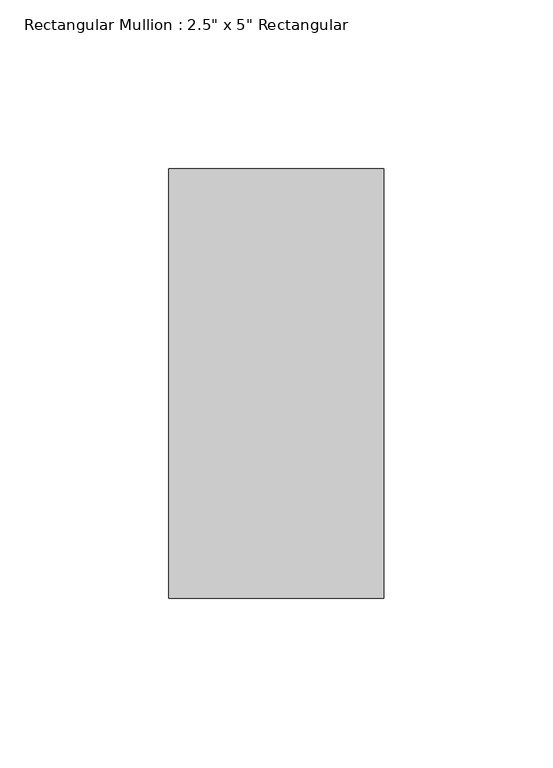
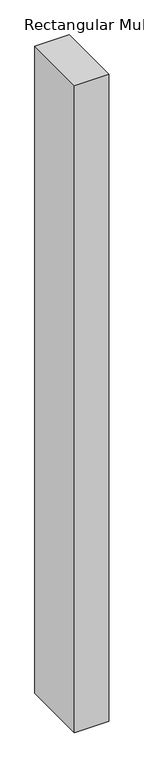
"""IFC4 building model written with IfcOpenShell, lengths in millimetres: member geometry."""

from ifc_helpers import new_model, si_unit, frame, origin, place, context, project, spatial, polyline, outline, extrude, source, transform, mapped, element, save


def member_ab7d1daf(model_context):
    return source(origin(), model_context, "Body", "SweptSolid", [
        extrude(outline(polyline([(0.0, 63.5), (0.0, -63.5), (-63.5, -63.5), (-63.5, 63.5), (0.0, 63.5)])), frame((0.0, 0.0, -1270.0), z_axis=(0.0, 0.0, 1.0), x_axis=(1.0, 0.0, 0.0)), (0.0, 0.0, 1.0), 1270.0),
    ])


if __name__ == "__main__":
    model = new_model("IFC4")
    model_context = context("Model", 3, world=origin())
    ifc_project = project(units=[si_unit("LENGTHUNIT", "METRE", prefix="MILLI")], contexts=[model_context])
    site = spatial("IfcSite", under=ifc_project)
    building = spatial("IfcBuilding", under=site)
    placement = place(None, origin())
    member_shape = member_ab7d1daf(model_context)
    element("IfcMember", 1, ObjectType="Rectangular Mullion : 2.5\" x 5\" Rectangular", at=placement, inside=building, context=model_context, shape_type="MappedRepresentation", body=[
        mapped(member_shape, transform((0.0, 0.0, 0.0), x_axis=(1.0, 0.0, 0.0), y_axis=(0.0, 1.0, 0.0), z_axis=(0.0, 0.0, 1.0))),
    ])
    save(model, "model.ifc")
